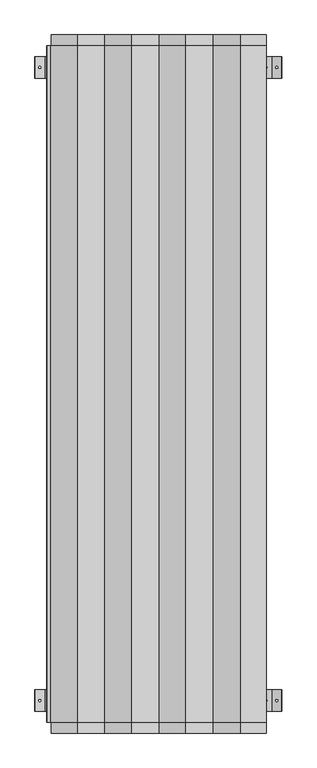
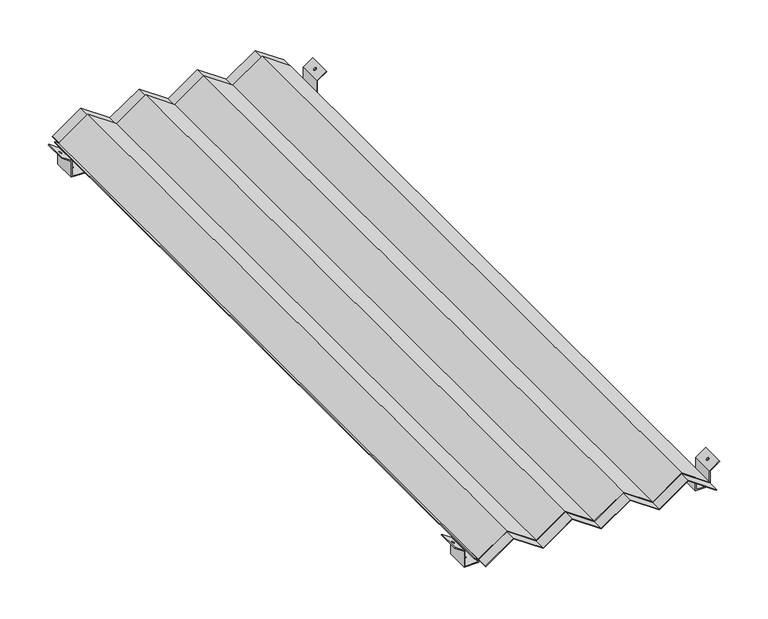
"""IFC4 building model written with IfcOpenShell, lengths in millimetres: proxy geometry."""

from ifc_helpers import new_model, si_unit, frame, origin, place, context, project, spatial, polyline, circle_curve, ellipse_curve, outline, extrude, source, transform, mapped, element, save
from ifc_brep_helpers import plane_surface, revolved_surface, advanced_brep


def generic_models_3b667e1f(model_context):
    return source(origin(), model_context, "Body", "SolidModel", [
        advanced_brep(
        [(-371.6197398, 1130.0, 79.9349347), (-405.4553608, 1130.0, 56.25), (-405.4553608, 1130.0, 3.0), (-450.4553608, 1130.0, 3.0), (-450.4553608, 1130.0, 59.3016389), (-484.2909818, 1130.0, 82.9865736), (-486.0113688, 1130.0, 80.5288778), (-453.4553608, 1130.0, 57.7396722), (-453.4553608, 1130.0, 0.0), (-402.4553608, 1130.0, 0.0), (-402.4553608, 1130.0, 54.6880333), (-369.8993528, 1130.0, 77.4772389), (-371.6197398, 1210.0, 79.9349347), (-369.8993528, 1210.0, 77.4772389), (-402.4553608, 1210.0, 54.6880333), (-402.4553608, 1210.0, 0.0), (-453.4553608, 1210.0, 0.0), (-453.4553608, 1210.0, 57.7396722), (-486.0113688, 1210.0, 80.5288778), (-484.2909818, 1210.0, 82.9865736), (-450.4553608, 1210.0, 59.3016389), (-450.4553608, 1210.0, 3.0), (-405.4553608, 1210.0, 3.0), (-405.4553608, 1210.0, 56.25), (-383.9553608, 1170.0, 71.3), (-391.9553608, 1170.0, 65.7), (-423.9553608, 1170.0, 3.0), (-431.9553608, 1170.0, 3.0), (-471.9553608, 1170.0, 74.3516389), (-463.9553608, 1170.0, 68.7516389), (-463.9553608, 1170.0, 65.0896722), (-471.9553608, 1170.0, 70.6896722), (-431.9553608, 1170.0, 0.0), (-423.9553608, 1170.0, 0.0), (-391.9553608, 1170.0, 62.0380333), (-383.9553608, 1170.0, 67.6380333)],
        [
            (0, 1),
            (1, 2),
            (2, 3),
            (3, 4),
            (4, 5),
            (5, 6),
            (6, 7),
            (7, 8),
            (8, 9),
            (9, 10),
            (10, 11),
            (11, 0),
            (12, 13),
            (13, 14),
            (14, 15),
            (15, 16),
            (16, 17),
            (17, 18),
            (18, 19),
            (19, 20),
            (20, 21),
            (21, 22),
            (22, 23),
            (23, 12),
            (0, 12),
            (23, 1),
            (24, 25, ellipse_curve(frame((-387.9553608, 1170.0, 68.5), z_axis=(0.5734623443633822, 0.0, -0.8192319205190028), x_axis=(0.8192319205190028, 0.0, 0.5734623443633821)), 4.8826222, 4.0)),
            (25, 24, ellipse_curve(frame((-387.9553608, 1170.0, 68.5), z_axis=(0.5734623443633822, 0.0, -0.8192319205190028), x_axis=(0.8192319205190028, 0.0, 0.5734623443633821)), 4.8826222, 4.0)),
            (22, 2),
            (21, 3),
            (26, 27, circle_curve(frame((-427.9553608, 1170.0, 3.0), z_axis=(0.0, 0.0, -1.0), x_axis=(1.0, 0.0, 0.0)), 4.0)),
            (27, 26, circle_curve(frame((-427.9553608, 1170.0, 3.0), z_axis=(0.0, 0.0, -1.0), x_axis=(1.0, 0.0, 0.0)), 4.0)),
            (20, 4),
            (19, 5),
            (28, 29, ellipse_curve(frame((-467.9553608, 1170.0, 71.5516389), z_axis=(-0.5734623443633651, 0.0, -0.8192319205190147), x_axis=(-0.8192319205190148, 0.0, 0.5734623443633651)), 4.8826222, 4.0)),
            (29, 28, ellipse_curve(frame((-467.9553608, 1170.0, 71.5516389), z_axis=(-0.5734623443633651, 0.0, -0.8192319205190147), x_axis=(-0.8192319205190148, 0.0, 0.5734623443633651)), 4.8826222, 4.0)),
            (18, 6),
            (17, 7),
            (30, 31, ellipse_curve(frame((-467.9553608, 1170.0, 67.8896722), z_axis=(0.5734623443633652, 0.0, 0.8192319205190147), x_axis=(-0.8192319205190147, 0.0, 0.573462344363365)), 4.8826222, 4.0)),
            (31, 30, ellipse_curve(frame((-467.9553608, 1170.0, 67.8896722), z_axis=(0.5734623443633652, 0.0, 0.8192319205190147), x_axis=(-0.8192319205190147, 0.0, 0.573462344363365)), 4.8826222, 4.0)),
            (16, 8),
            (15, 9),
            (32, 33, circle_curve(frame((-427.9553608, 1170.0, 0.0), z_axis=(0.0, 0.0, 1.0), x_axis=(1.0, 0.0, 0.0)), 4.0)),
            (33, 32, circle_curve(frame((-427.9553608, 1170.0, 0.0), z_axis=(0.0, 0.0, 1.0), x_axis=(1.0, 0.0, 0.0)), 4.0)),
            (14, 10),
            (13, 11),
            (34, 35, ellipse_curve(frame((-387.9553608, 1170.0, 64.8380333), z_axis=(-0.5734623443633821, 0.0, 0.8192319205190028), x_axis=(0.8192319205190027, 0.0, 0.5734623443633821)), 4.8826222, 4.0)),
            (35, 34, ellipse_curve(frame((-387.9553608, 1170.0, 64.8380333), z_axis=(-0.5734623443633821, 0.0, 0.8192319205190028), x_axis=(0.8192319205190027, 0.0, 0.5734623443633821)), 4.8826222, 4.0)),
            (32, 27),
            (26, 33),
            (34, 25),
            (24, 35),
            (30, 29),
            (28, 31),
        ],
        [
            plane_surface(frame((-427.9553608, 1130.0, -108.1038624), z_axis=(0.0, -1.0, 0.0), x_axis=(0.0, 0.0, 1.0))),
            plane_surface(frame((-427.9553608, 1210.0, -108.1038624), z_axis=(0.0, 1.0, 0.0), x_axis=(0.0, 0.0, 1.0))),
            plane_surface(frame((-371.6197398, 1130.0, 79.9349347), z_axis=(-0.5734623443633822, 0.0, 0.8192319205190028), x_axis=(0.0, 1.0, 0.0))),
            plane_surface(frame((-405.4553608, 1130.0, 56.25), z_axis=(-1.0, 0.0, 0.0), x_axis=(0.0, 1.0, 0.0))),
            plane_surface(frame((-405.4553608, 1130.0, 3.0), z_axis=(0.0, 0.0, 1.0), x_axis=(0.0, 1.0, 0.0))),
            plane_surface(frame((-450.4553608, 1130.0, 3.0), z_axis=(1.0, 0.0, 0.0), x_axis=(0.0, 1.0, 0.0))),
            plane_surface(frame((-450.4553608, 1130.0, 59.3016389), z_axis=(0.5734623443633651, 0.0, 0.8192319205190147), x_axis=(0.0, 1.0, 0.0))),
            plane_surface(frame((-484.2909818, 1130.0, 82.9865736), z_axis=(-0.8192319205190247, 0.0, 0.5734623443633509), x_axis=(0.0, 1.0, 0.0))),
            plane_surface(frame((-486.0113688, 1130.0, 80.5288778), z_axis=(-0.5734623443633652, 0.0, -0.8192319205190147), x_axis=(0.0, 1.0, 0.0))),
            plane_surface(frame((-453.4553608, 1130.0, 57.7396722), z_axis=(-1.0, 0.0, 0.0), x_axis=(0.0, 1.0, 0.0))),
            plane_surface(frame((-453.4553608, 1130.0, 0.0), z_axis=(0.0, 0.0, -1.0), x_axis=(0.0, 1.0, 0.0))),
            plane_surface(frame((-402.4553608, 1130.0, 0.0), z_axis=(1.0, 0.0, 0.0), x_axis=(0.0, 1.0, 0.0))),
            plane_surface(frame((-402.4553608, 1130.0, 54.6880333), z_axis=(0.5734623443633821, 0.0, -0.8192319205190028), x_axis=(0.0, 1.0, 0.0))),
            plane_surface(frame((-369.8993528, 1130.0, 77.4772389), z_axis=(0.8192319205189988, 0.0, 0.5734623443633878), x_axis=(0.0, 1.0, 0.0))),
            revolved_surface(polyline([(-423.9553608, 1170.0, 3.0), (-423.9553608, 1170.0, 0.0)]), (-427.9553608, 1170.0, 0.0), (0.0, 0.0, 1.0)),
            revolved_surface(polyline([(-383.9553608, 1170.0, 71.3), (-383.9553608, 1170.0, 62.0380333)]), (-387.9553608, 1170.0, 10.0), (0.0, 0.0, 1.0)),
            revolved_surface(polyline([(-471.9553608, 1170.0, 74.3516389), (-471.9553608, 1170.0, 65.0896722)]), (-467.9553608, 1170.0, 10.0), (0.0, 0.0, 1.0)),
        ],
        [
            (0, [[1, 2, 3, 4, 5, 6, 7, 8, 9, 10, 11, 12]]),
            (1, [[13, 14, 15, 16, 17, 18, 19, 20, 21, 22, 23, 24]]),
            (2, [[-1, 25, -24, 26], [27, 28]]),
            (3, [[-2, -26, -23, 29]]),
            (4, [[-3, -29, -22, 30], [31, 32]]),
            (5, [[-4, -30, -21, 33]]),
            (6, [[-5, -33, -20, 34], [35, 36]]),
            (7, [[-6, -34, -19, 37]]),
            (8, [[-7, -37, -18, 38], [39, 40]]),
            (9, [[-8, -38, -17, 41]]),
            (10, [[-9, -41, -16, 42], [43, 44]]),
            (11, [[-10, -42, -15, 45]]),
            (12, [[-11, -45, -14, 46], [47, 48]]),
            (13, [[-12, -46, -13, -25]]),
            (14, [[49, -31, 50, -43]]),
            (14, [[-49, -44, -50, -32]]),
            (15, [[51, -27, 52, -47]]),
            (15, [[-51, -48, -52, -28]]),
            (16, [[53, -35, 54, -39]]),
            (16, [[-53, -40, -54, -36]]),
        ],
    ),
        advanced_brep(
        [(-371.6197398, -1210.0, 79.9349347), (-405.4553608, -1210.0, 56.25), (-405.4553608, -1210.0, 3.0), (-450.4553608, -1210.0, 3.0), (-450.4553608, -1210.0, 59.3016389), (-484.2909818, -1210.0, 82.9865736), (-486.0113688, -1210.0, 80.5288778), (-453.4553608, -1210.0, 57.7396722), (-453.4553608, -1210.0, 0.0), (-402.4553608, -1210.0, 0.0), (-402.4553608, -1210.0, 54.6880333), (-369.8993528, -1210.0, 77.4772389), (-371.6197398, -1130.0, 79.9349347), (-369.8993528, -1130.0, 77.4772389), (-402.4553608, -1130.0, 54.6880333), (-402.4553608, -1130.0, 0.0), (-453.4553608, -1130.0, 0.0), (-453.4553608, -1130.0, 57.7396722), (-486.0113688, -1130.0, 80.5288778), (-484.2909818, -1130.0, 82.9865736), (-450.4553608, -1130.0, 59.3016389), (-450.4553608, -1130.0, 3.0), (-405.4553608, -1130.0, 3.0), (-405.4553608, -1130.0, 56.25), (-383.9553608, -1170.0, 71.3), (-391.9553608, -1170.0, 65.7), (-423.9553608, -1170.0, 3.0), (-431.9553608, -1170.0, 3.0), (-471.9553608, -1170.0, 74.3516389), (-463.9553608, -1170.0, 68.7516389), (-463.9553608, -1170.0, 65.0896722), (-471.9553608, -1170.0, 70.6896722), (-431.9553608, -1170.0, 0.0), (-423.9553608, -1170.0, 0.0), (-391.9553608, -1170.0, 62.0380333), (-383.9553608, -1170.0, 67.6380333)],
        [
            (0, 1),
            (1, 2),
            (2, 3),
            (3, 4),
            (4, 5),
            (5, 6),
            (6, 7),
            (7, 8),
            (8, 9),
            (9, 10),
            (10, 11),
            (11, 0),
            (12, 13),
            (13, 14),
            (14, 15),
            (15, 16),
            (16, 17),
            (17, 18),
            (18, 19),
            (19, 20),
            (20, 21),
            (21, 22),
            (22, 23),
            (23, 12),
            (0, 12),
            (23, 1),
            (24, 25, ellipse_curve(frame((-387.9553608, -1170.0, 68.5), z_axis=(0.5734623443633822, 0.0, -0.8192319205190028), x_axis=(0.8192319205190028, 0.0, 0.5734623443633821)), 4.8826222, 4.0)),
            (25, 24, ellipse_curve(frame((-387.9553608, -1170.0, 68.5), z_axis=(0.5734623443633822, 0.0, -0.8192319205190028), x_axis=(0.8192319205190028, 0.0, 0.5734623443633821)), 4.8826222, 4.0)),
            (22, 2),
            (21, 3),
            (26, 27, circle_curve(frame((-427.9553608, -1170.0, 3.0), z_axis=(0.0, 0.0, -1.0), x_axis=(1.0, 0.0, 0.0)), 4.0)),
            (27, 26, circle_curve(frame((-427.9553608, -1170.0, 3.0), z_axis=(0.0, 0.0, -1.0), x_axis=(1.0, 0.0, 0.0)), 4.0)),
            (20, 4),
            (19, 5),
            (28, 29, ellipse_curve(frame((-467.9553608, -1170.0, 71.5516389), z_axis=(-0.5734623443633651, 0.0, -0.8192319205190147), x_axis=(-0.8192319205190148, 0.0, 0.5734623443633651)), 4.8826222, 4.0)),
            (29, 28, ellipse_curve(frame((-467.9553608, -1170.0, 71.5516389), z_axis=(-0.5734623443633651, 0.0, -0.8192319205190147), x_axis=(-0.8192319205190148, 0.0, 0.5734623443633651)), 4.8826222, 4.0)),
            (18, 6),
            (17, 7),
            (30, 31, ellipse_curve(frame((-467.9553608, -1170.0, 67.8896722), z_axis=(0.5734623443633652, 0.0, 0.8192319205190147), x_axis=(-0.8192319205190147, 0.0, 0.573462344363365)), 4.8826222, 4.0)),
            (31, 30, ellipse_curve(frame((-467.9553608, -1170.0, 67.8896722), z_axis=(0.5734623443633652, 0.0, 0.8192319205190147), x_axis=(-0.8192319205190147, 0.0, 0.573462344363365)), 4.8826222, 4.0)),
            (16, 8),
            (15, 9),
            (32, 33, circle_curve(frame((-427.9553608, -1170.0, 0.0), z_axis=(0.0, 0.0, 1.0), x_axis=(1.0, 0.0, 0.0)), 4.0)),
            (33, 32, circle_curve(frame((-427.9553608, -1170.0, 0.0), z_axis=(0.0, 0.0, 1.0), x_axis=(1.0, 0.0, 0.0)), 4.0)),
            (14, 10),
            (13, 11),
            (34, 35, ellipse_curve(frame((-387.9553608, -1170.0, 64.8380333), z_axis=(-0.5734623443633821, 0.0, 0.8192319205190028), x_axis=(0.8192319205190027, 0.0, 0.5734623443633821)), 4.8826222, 4.0)),
            (35, 34, ellipse_curve(frame((-387.9553608, -1170.0, 64.8380333), z_axis=(-0.5734623443633821, 0.0, 0.8192319205190028), x_axis=(0.8192319205190027, 0.0, 0.5734623443633821)), 4.8826222, 4.0)),
            (32, 27),
            (26, 33),
            (34, 25),
            (24, 35),
            (30, 29),
            (28, 31),
        ],
        [
            plane_surface(frame((-427.9553608, -1210.0, -108.1038624), z_axis=(0.0, -1.0, 0.0), x_axis=(0.0, 0.0, 1.0))),
            plane_surface(frame((-427.9553608, -1130.0, -108.1038624), z_axis=(0.0, 1.0, 0.0), x_axis=(0.0, 0.0, 1.0))),
            plane_surface(frame((-371.6197398, -1210.0, 79.9349347), z_axis=(-0.5734623443633822, 0.0, 0.8192319205190028), x_axis=(0.0, 1.0, 0.0))),
            plane_surface(frame((-405.4553608, -1210.0, 56.25), z_axis=(-1.0, 0.0, 0.0), x_axis=(0.0, 1.0, 0.0))),
            plane_surface(frame((-405.4553608, -1210.0, 3.0), z_axis=(0.0, 0.0, 1.0), x_axis=(0.0, 1.0, 0.0))),
            plane_surface(frame((-450.4553608, -1210.0, 3.0), z_axis=(1.0, 0.0, 0.0), x_axis=(0.0, 1.0, 0.0))),
            plane_surface(frame((-450.4553608, -1210.0, 59.3016389), z_axis=(0.5734623443633651, 0.0, 0.8192319205190147), x_axis=(0.0, 1.0, 0.0))),
            plane_surface(frame((-484.2909818, -1210.0, 82.9865736), z_axis=(-0.8192319205190247, 0.0, 0.5734623443633509), x_axis=(0.0, 1.0, 0.0))),
            plane_surface(frame((-486.0113688, -1210.0, 80.5288778), z_axis=(-0.5734623443633652, 0.0, -0.8192319205190147), x_axis=(0.0, 1.0, 0.0))),
            plane_surface(frame((-453.4553608, -1210.0, 57.7396722), z_axis=(-1.0, 0.0, 0.0), x_axis=(0.0, 1.0, 0.0))),
            plane_surface(frame((-453.4553608, -1210.0, 0.0), z_axis=(0.0, 0.0, -1.0), x_axis=(0.0, 1.0, 0.0))),
            plane_surface(frame((-402.4553608, -1210.0, 0.0), z_axis=(1.0, 0.0, 0.0), x_axis=(0.0, 1.0, 0.0))),
            plane_surface(frame((-402.4553608, -1210.0, 54.6880333), z_axis=(0.5734623443633821, 0.0, -0.8192319205190028), x_axis=(0.0, 1.0, 0.0))),
            plane_surface(frame((-369.8993528, -1210.0, 77.4772389), z_axis=(0.8192319205189988, 0.0, 0.5734623443633878), x_axis=(0.0, 1.0, 0.0))),
            revolved_surface(polyline([(-423.9553608, -1170.0, 3.0), (-423.9553608, -1170.0, 0.0)]), (-427.9553608, -1170.0, 0.0), (0.0, 0.0, 1.0)),
            revolved_surface(polyline([(-383.9553608, -1170.0, 71.3), (-383.9553608, -1170.0, 62.0380333)]), (-387.9553608, -1170.0, 10.0), (0.0, 0.0, 1.0)),
            revolved_surface(polyline([(-471.9553608, -1170.0, 74.3516389), (-471.9553608, -1170.0, 65.0896722)]), (-467.9553608, -1170.0, 10.0), (0.0, 0.0, 1.0)),
        ],
        [
            (0, [[1, 2, 3, 4, 5, 6, 7, 8, 9, 10, 11, 12]]),
            (1, [[13, 14, 15, 16, 17, 18, 19, 20, 21, 22, 23, 24]]),
            (2, [[-1, 25, -24, 26], [27, 28]]),
            (3, [[-2, -26, -23, 29]]),
            (4, [[-3, -29, -22, 30], [31, 32]]),
            (5, [[-4, -30, -21, 33]]),
            (6, [[-5, -33, -20, 34], [35, 36]]),
            (7, [[-6, -34, -19, 37]]),
            (8, [[-7, -37, -18, 38], [39, 40]]),
            (9, [[-8, -38, -17, 41]]),
            (10, [[-9, -41, -16, 42], [43, 44]]),
            (11, [[-10, -42, -15, 45]]),
            (12, [[-11, -45, -14, 46], [47, 48]]),
            (13, [[-12, -46, -13, -25]]),
            (14, [[49, -31, 50, -43]]),
            (14, [[-49, -44, -50, -32]]),
            (15, [[51, -27, 52, -47]]),
            (15, [[-51, -48, -52, -28]]),
            (16, [[53, -35, 54, -39]]),
            (16, [[-53, -40, -54, -36]]),
        ],
    ),
        advanced_brep(
        [(424.0231167, 1130.0, 79.9349347), (390.1874957, 1130.0, 56.25), (390.1874957, 1130.0, 3.0), (345.1874957, 1130.0, 3.0), (345.1874957, 1130.0, 59.3016389), (311.3518748, 1130.0, 82.9865736), (309.6314877, 1130.0, 80.5288778), (342.1874957, 1130.0, 57.7396722), (342.1874957, 1130.0, 0.0), (393.1874957, 1130.0, 0.0), (393.1874957, 1130.0, 54.6880333), (425.7435037, 1130.0, 77.4772389), (424.0231167, 1210.0, 79.9349347), (425.7435037, 1210.0, 77.4772389), (393.1874957, 1210.0, 54.6880333), (393.1874957, 1210.0, 0.0), (342.1874957, 1210.0, 0.0), (342.1874957, 1210.0, 57.7396722), (309.6314877, 1210.0, 80.5288778), (311.3518748, 1210.0, 82.9865736), (345.1874957, 1210.0, 59.3016389), (345.1874957, 1210.0, 3.0), (390.1874957, 1210.0, 3.0), (390.1874957, 1210.0, 56.25), (411.6874957, 1170.0, 71.3), (403.6874957, 1170.0, 65.7), (371.6874957, 1170.0, 3.0), (363.6874957, 1170.0, 3.0), (323.6874957, 1170.0, 74.3516389), (331.6874957, 1170.0, 68.7516389), (331.6874957, 1170.0, 65.0896722), (323.6874957, 1170.0, 70.6896722), (363.6874957, 1170.0, 0.0), (371.6874957, 1170.0, 0.0), (403.6874957, 1170.0, 62.0380333), (411.6874957, 1170.0, 67.6380333)],
        [
            (0, 1),
            (1, 2),
            (2, 3),
            (3, 4),
            (4, 5),
            (5, 6),
            (6, 7),
            (7, 8),
            (8, 9),
            (9, 10),
            (10, 11),
            (11, 0),
            (12, 13),
            (13, 14),
            (14, 15),
            (15, 16),
            (16, 17),
            (17, 18),
            (18, 19),
            (19, 20),
            (20, 21),
            (21, 22),
            (22, 23),
            (23, 12),
            (0, 12),
            (23, 1),
            (24, 25, ellipse_curve(frame((407.6874957, 1170.0, 68.5), z_axis=(0.5734623443633822, 0.0, -0.8192319205190028), x_axis=(0.8192319205190028, 0.0, 0.5734623443633821)), 4.8826222, 4.0)),
            (25, 24, ellipse_curve(frame((407.6874957, 1170.0, 68.5), z_axis=(0.5734623443633822, 0.0, -0.8192319205190028), x_axis=(0.8192319205190028, 0.0, 0.5734623443633821)), 4.8826222, 4.0)),
            (22, 2),
            (21, 3),
            (26, 27, circle_curve(frame((367.6874957, 1170.0, 3.0), z_axis=(0.0, 0.0, -1.0), x_axis=(1.0, 0.0, 0.0)), 4.0)),
            (27, 26, circle_curve(frame((367.6874957, 1170.0, 3.0), z_axis=(0.0, 0.0, -1.0), x_axis=(1.0, 0.0, 0.0)), 4.0)),
            (20, 4),
            (19, 5),
            (28, 29, ellipse_curve(frame((327.6874957, 1170.0, 71.5516389), z_axis=(-0.5734623443633651, 0.0, -0.8192319205190147), x_axis=(-0.8192319205190148, 0.0, 0.5734623443633651)), 4.8826222, 4.0)),
            (29, 28, ellipse_curve(frame((327.6874957, 1170.0, 71.5516389), z_axis=(-0.5734623443633651, 0.0, -0.8192319205190147), x_axis=(-0.8192319205190148, 0.0, 0.5734623443633651)), 4.8826222, 4.0)),
            (18, 6),
            (17, 7),
            (30, 31, ellipse_curve(frame((327.6874957, 1170.0, 67.8896722), z_axis=(0.5734623443633652, 0.0, 0.8192319205190147), x_axis=(-0.8192319205190147, 0.0, 0.573462344363365)), 4.8826222, 4.0)),
            (31, 30, ellipse_curve(frame((327.6874957, 1170.0, 67.8896722), z_axis=(0.5734623443633652, 0.0, 0.8192319205190147), x_axis=(-0.8192319205190147, 0.0, 0.573462344363365)), 4.8826222, 4.0)),
            (16, 8),
            (15, 9),
            (32, 33, circle_curve(frame((367.6874957, 1170.0, 0.0), z_axis=(0.0, 0.0, 1.0), x_axis=(1.0, 0.0, 0.0)), 4.0)),
            (33, 32, circle_curve(frame((367.6874957, 1170.0, 0.0), z_axis=(0.0, 0.0, 1.0), x_axis=(1.0, 0.0, 0.0)), 4.0)),
            (14, 10),
            (13, 11),
            (34, 35, ellipse_curve(frame((407.6874957, 1170.0, 64.8380333), z_axis=(-0.5734623443633821, 0.0, 0.8192319205190028), x_axis=(0.8192319205190027, 0.0, 0.5734623443633821)), 4.8826222, 4.0)),
            (35, 34, ellipse_curve(frame((407.6874957, 1170.0, 64.8380333), z_axis=(-0.5734623443633821, 0.0, 0.8192319205190028), x_axis=(0.8192319205190027, 0.0, 0.5734623443633821)), 4.8826222, 4.0)),
            (32, 27),
            (26, 33),
            (34, 25),
            (24, 35),
            (30, 29),
            (28, 31),
        ],
        [
            plane_surface(frame((367.6874957, 1130.0, -108.1038624), z_axis=(0.0, -1.0, 0.0), x_axis=(0.0, 0.0, 1.0))),
            plane_surface(frame((367.6874957, 1210.0, -108.1038624), z_axis=(0.0, 1.0, 0.0), x_axis=(0.0, 0.0, 1.0))),
            plane_surface(frame((424.0231167, 1130.0, 79.9349347), z_axis=(-0.5734623443633822, 0.0, 0.8192319205190028), x_axis=(0.0, 1.0, 0.0))),
            plane_surface(frame((390.1874957, 1130.0, 56.25), z_axis=(-1.0, 0.0, 0.0), x_axis=(0.0, 1.0, 0.0))),
            plane_surface(frame((390.1874957, 1130.0, 3.0), z_axis=(0.0, 0.0, 1.0), x_axis=(0.0, 1.0, 0.0))),
            plane_surface(frame((345.1874957, 1130.0, 3.0), z_axis=(1.0, 0.0, 0.0), x_axis=(0.0, 1.0, 0.0))),
            plane_surface(frame((345.1874957, 1130.0, 59.3016389), z_axis=(0.5734623443633651, 0.0, 0.8192319205190147), x_axis=(0.0, 1.0, 0.0))),
            plane_surface(frame((311.3518748, 1130.0, 82.9865736), z_axis=(-0.8192319205190247, 0.0, 0.5734623443633509), x_axis=(0.0, 1.0, 0.0))),
            plane_surface(frame((309.6314877, 1130.0, 80.5288778), z_axis=(-0.5734623443633652, 0.0, -0.8192319205190147), x_axis=(0.0, 1.0, 0.0))),
            plane_surface(frame((342.1874957, 1130.0, 57.7396722), z_axis=(-1.0, 0.0, 0.0), x_axis=(0.0, 1.0, 0.0))),
            plane_surface(frame((342.1874957, 1130.0, 0.0), z_axis=(0.0, 0.0, -1.0), x_axis=(0.0, 1.0, 0.0))),
            plane_surface(frame((393.1874957, 1130.0, 0.0), z_axis=(1.0, 0.0, 0.0), x_axis=(0.0, 1.0, 0.0))),
            plane_surface(frame((393.1874957, 1130.0, 54.6880333), z_axis=(0.5734623443633821, 0.0, -0.8192319205190028), x_axis=(0.0, 1.0, 0.0))),
            plane_surface(frame((425.7435037, 1130.0, 77.4772389), z_axis=(0.8192319205189988, 0.0, 0.5734623443633878), x_axis=(0.0, 1.0, 0.0))),
            revolved_surface(polyline([(371.6874957, 1170.0, 3.0), (371.6874957, 1170.0, 0.0)]), (367.6874957, 1170.0, 0.0), (0.0, 0.0, 1.0)),
            revolved_surface(polyline([(411.6874957, 1170.0, 71.3), (411.6874957, 1170.0, 62.0380333)]), (407.6874957, 1170.0, 10.0), (0.0, 0.0, 1.0)),
            revolved_surface(polyline([(323.6874957, 1170.0, 74.3516389), (323.6874957, 1170.0, 65.0896722)]), (327.6874957, 1170.0, 10.0), (0.0, 0.0, 1.0)),
        ],
        [
            (0, [[1, 2, 3, 4, 5, 6, 7, 8, 9, 10, 11, 12]]),
            (1, [[13, 14, 15, 16, 17, 18, 19, 20, 21, 22, 23, 24]]),
            (2, [[-1, 25, -24, 26], [27, 28]]),
            (3, [[-2, -26, -23, 29]]),
            (4, [[-3, -29, -22, 30], [31, 32]]),
            (5, [[-4, -30, -21, 33]]),
            (6, [[-5, -33, -20, 34], [35, 36]]),
            (7, [[-6, -34, -19, 37]]),
            (8, [[-7, -37, -18, 38], [39, 40]]),
            (9, [[-8, -38, -17, 41]]),
            (10, [[-9, -41, -16, 42], [43, 44]]),
            (11, [[-10, -42, -15, 45]]),
            (12, [[-11, -45, -14, 46], [47, 48]]),
            (13, [[-12, -46, -13, -25]]),
            (14, [[49, -31, 50, -43]]),
            (14, [[-49, -44, -50, -32]]),
            (15, [[51, -27, 52, -47]]),
            (15, [[-51, -48, -52, -28]]),
            (16, [[53, -35, 54, -39]]),
            (16, [[-53, -40, -54, -36]]),
        ],
    ),
        advanced_brep(
        [(424.0231167, -1210.0, 79.9349347), (390.1874957, -1210.0, 56.25), (390.1874957, -1210.0, 3.0), (345.1874957, -1210.0, 3.0), (345.1874957, -1210.0, 59.3016389), (311.3518748, -1210.0, 82.9865736), (309.6314877, -1210.0, 80.5288778), (342.1874957, -1210.0, 57.7396722), (342.1874957, -1210.0, 0.0), (393.1874957, -1210.0, 0.0), (393.1874957, -1210.0, 54.6880333), (425.7435037, -1210.0, 77.4772389), (424.0231167, -1130.0, 79.9349347), (425.7435037, -1130.0, 77.4772389), (393.1874957, -1130.0, 54.6880333), (393.1874957, -1130.0, 0.0), (342.1874957, -1130.0, 0.0), (342.1874957, -1130.0, 57.7396722), (309.6314877, -1130.0, 80.5288778), (311.3518748, -1130.0, 82.9865736), (345.1874957, -1130.0, 59.3016389), (345.1874957, -1130.0, 3.0), (390.1874957, -1130.0, 3.0), (390.1874957, -1130.0, 56.25), (411.6874957, -1170.0, 71.3), (403.6874957, -1170.0, 65.7), (371.6874957, -1170.0, 3.0), (363.6874957, -1170.0, 3.0), (323.6874957, -1170.0, 74.3516389), (331.6874957, -1170.0, 68.7516389), (331.6874957, -1170.0, 65.0896722), (323.6874957, -1170.0, 70.6896722), (363.6874957, -1170.0, 0.0), (371.6874957, -1170.0, 0.0), (403.6874957, -1170.0, 62.0380333), (411.6874957, -1170.0, 67.6380333)],
        [
            (0, 1),
            (1, 2),
            (2, 3),
            (3, 4),
            (4, 5),
            (5, 6),
            (6, 7),
            (7, 8),
            (8, 9),
            (9, 10),
            (10, 11),
            (11, 0),
            (12, 13),
            (13, 14),
            (14, 15),
            (15, 16),
            (16, 17),
            (17, 18),
            (18, 19),
            (19, 20),
            (20, 21),
            (21, 22),
            (22, 23),
            (23, 12),
            (0, 12),
            (23, 1),
            (24, 25, ellipse_curve(frame((407.6874957, -1170.0, 68.5), z_axis=(0.5734623443633822, 0.0, -0.8192319205190028), x_axis=(0.8192319205190028, 0.0, 0.5734623443633821)), 4.8826222, 4.0)),
            (25, 24, ellipse_curve(frame((407.6874957, -1170.0, 68.5), z_axis=(0.5734623443633822, 0.0, -0.8192319205190028), x_axis=(0.8192319205190028, 0.0, 0.5734623443633821)), 4.8826222, 4.0)),
            (22, 2),
            (21, 3),
            (26, 27, circle_curve(frame((367.6874957, -1170.0, 3.0), z_axis=(0.0, 0.0, -1.0), x_axis=(1.0, 0.0, 0.0)), 4.0)),
            (27, 26, circle_curve(frame((367.6874957, -1170.0, 3.0), z_axis=(0.0, 0.0, -1.0), x_axis=(1.0, 0.0, 0.0)), 4.0)),
            (20, 4),
            (19, 5),
            (28, 29, ellipse_curve(frame((327.6874957, -1170.0, 71.5516389), z_axis=(-0.5734623443633651, 0.0, -0.8192319205190147), x_axis=(-0.8192319205190148, 0.0, 0.5734623443633651)), 4.8826222, 4.0)),
            (29, 28, ellipse_curve(frame((327.6874957, -1170.0, 71.5516389), z_axis=(-0.5734623443633651, 0.0, -0.8192319205190147), x_axis=(-0.8192319205190148, 0.0, 0.5734623443633651)), 4.8826222, 4.0)),
            (18, 6),
            (17, 7),
            (30, 31, ellipse_curve(frame((327.6874957, -1170.0, 67.8896722), z_axis=(0.5734623443633652, 0.0, 0.8192319205190147), x_axis=(-0.8192319205190147, 0.0, 0.573462344363365)), 4.8826222, 4.0)),
            (31, 30, ellipse_curve(frame((327.6874957, -1170.0, 67.8896722), z_axis=(0.5734623443633652, 0.0, 0.8192319205190147), x_axis=(-0.8192319205190147, 0.0, 0.573462344363365)), 4.8826222, 4.0)),
            (16, 8),
            (15, 9),
            (32, 33, circle_curve(frame((367.6874957, -1170.0, 0.0), z_axis=(0.0, 0.0, 1.0), x_axis=(1.0, 0.0, 0.0)), 4.0)),
            (33, 32, circle_curve(frame((367.6874957, -1170.0, 0.0), z_axis=(0.0, 0.0, 1.0), x_axis=(1.0, 0.0, 0.0)), 4.0)),
            (14, 10),
            (13, 11),
            (34, 35, ellipse_curve(frame((407.6874957, -1170.0, 64.8380333), z_axis=(-0.5734623443633821, 0.0, 0.8192319205190028), x_axis=(0.8192319205190027, 0.0, 0.5734623443633821)), 4.8826222, 4.0)),
            (35, 34, ellipse_curve(frame((407.6874957, -1170.0, 64.8380333), z_axis=(-0.5734623443633821, 0.0, 0.8192319205190028), x_axis=(0.8192319205190027, 0.0, 0.5734623443633821)), 4.8826222, 4.0)),
            (32, 27),
            (26, 33),
            (34, 25),
            (24, 35),
            (30, 29),
            (28, 31),
        ],
        [
            plane_surface(frame((367.6874957, -1210.0, -108.1038624), z_axis=(0.0, -1.0, 0.0), x_axis=(0.0, 0.0, 1.0))),
            plane_surface(frame((367.6874957, -1130.0, -108.1038624), z_axis=(0.0, 1.0, 0.0), x_axis=(0.0, 0.0, 1.0))),
            plane_surface(frame((424.0231167, -1210.0, 79.9349347), z_axis=(-0.5734623443633822, 0.0, 0.8192319205190028), x_axis=(0.0, 1.0, 0.0))),
            plane_surface(frame((390.1874957, -1210.0, 56.25), z_axis=(-1.0, 0.0, 0.0), x_axis=(0.0, 1.0, 0.0))),
            plane_surface(frame((390.1874957, -1210.0, 3.0), z_axis=(0.0, 0.0, 1.0), x_axis=(0.0, 1.0, 0.0))),
            plane_surface(frame((345.1874957, -1210.0, 3.0), z_axis=(1.0, 0.0, 0.0), x_axis=(0.0, 1.0, 0.0))),
            plane_surface(frame((345.1874957, -1210.0, 59.3016389), z_axis=(0.5734623443633651, 0.0, 0.8192319205190147), x_axis=(0.0, 1.0, 0.0))),
            plane_surface(frame((311.3518748, -1210.0, 82.9865736), z_axis=(-0.8192319205190247, 0.0, 0.5734623443633509), x_axis=(0.0, 1.0, 0.0))),
            plane_surface(frame((309.6314877, -1210.0, 80.5288778), z_axis=(-0.5734623443633652, 0.0, -0.8192319205190147), x_axis=(0.0, 1.0, 0.0))),
            plane_surface(frame((342.1874957, -1210.0, 57.7396722), z_axis=(-1.0, 0.0, 0.0), x_axis=(0.0, 1.0, 0.0))),
            plane_surface(frame((342.1874957, -1210.0, 0.0), z_axis=(0.0, 0.0, -1.0), x_axis=(0.0, 1.0, 0.0))),
            plane_surface(frame((393.1874957, -1210.0, 0.0), z_axis=(1.0, 0.0, 0.0), x_axis=(0.0, 1.0, 0.0))),
            plane_surface(frame((393.1874957, -1210.0, 54.6880333), z_axis=(0.5734623443633821, 0.0, -0.8192319205190028), x_axis=(0.0, 1.0, 0.0))),
            plane_surface(frame((425.7435037, -1210.0, 77.4772389), z_axis=(0.8192319205189988, 0.0, 0.5734623443633878), x_axis=(0.0, 1.0, 0.0))),
            revolved_surface(polyline([(371.6874957, -1170.0, 3.0), (371.6874957, -1170.0, 0.0)]), (367.6874957, -1170.0, 0.0), (0.0, 0.0, 1.0)),
            revolved_surface(polyline([(411.6874957, -1170.0, 71.3), (411.6874957, -1170.0, 62.0380333)]), (407.6874957, -1170.0, 10.0), (0.0, 0.0, 1.0)),
            revolved_surface(polyline([(323.6874957, -1170.0, 74.3516389), (323.6874957, -1170.0, 65.0896722)]), (327.6874957, -1170.0, 10.0), (0.0, 0.0, 1.0)),
        ],
        [
            (0, [[1, 2, 3, 4, 5, 6, 7, 8, 9, 10, 11, 12]]),
            (1, [[13, 14, 15, 16, 17, 18, 19, 20, 21, 22, 23, 24]]),
            (2, [[-1, 25, -24, 26], [27, 28]]),
            (3, [[-2, -26, -23, 29]]),
            (4, [[-3, -29, -22, 30], [31, 32]]),
            (5, [[-4, -30, -21, 33]]),
            (6, [[-5, -33, -20, 34], [35, 36]]),
            (7, [[-6, -34, -19, 37]]),
            (8, [[-7, -37, -18, 38], [39, 40]]),
            (9, [[-8, -38, -17, 41]]),
            (10, [[-9, -41, -16, 42], [43, 44]]),
            (11, [[-10, -42, -15, 45]]),
            (12, [[-11, -45, -14, 46], [47, 48]]),
            (13, [[-12, -46, -13, -25]]),
            (14, [[49, -31, 50, -43]]),
            (14, [[-49, -44, -50, -32]]),
            (15, [[51, -27, 52, -47]]),
            (15, [[-51, -48, -52, -28]]),
            (16, [[53, -35, 54, -39]]),
            (16, [[-53, -40, -54, -36]]),
        ],
    ),
        extrude(outline(polyline([(110.5002694, 272.046595), (40.5002694, 172.046595), (110.5002694, 72.046595), (40.5002694, -27.953405), (110.5002694, -127.953405), (40.5002694, -227.953405), (110.5002694, -327.953405), (41.6847881, -426.2612355), (40.4559402, -425.401042), (108.6692861, -327.953405), (38.6692861, -227.953405), (108.6692861, -127.953405), (38.6692861, -27.953405), (108.6692861, 72.046595), (38.6692861, 172.046595), (108.6692861, 272.046595), (41.3186821, 368.2617435), (42.54753, 369.121937), (110.5002694, 272.046595)])), frame((0.0, -1290.0, 0.0), z_axis=(0.0, 1.0, 0.0), x_axis=(0.0, 0.0, 1.0)), (0.0, 0.0, 1.0), 80.0),
        extrude(outline(polyline([(110.4997306, 272.046595), (40.4997306, 172.046595), (110.4997306, 72.046595), (40.4997306, -27.953405), (110.4997306, -127.953405), (40.4997306, -227.953405), (110.4997306, -327.953405), (41.6842493, -426.2612355), (40.4554014, -425.401042), (108.6687472, -327.953405), (38.6687472, -227.953405), (108.6687472, -127.953405), (38.6687472, -27.953405), (108.6687472, 72.046595), (38.6687472, 172.046595), (108.6687472, 272.046595), (41.3181433, 368.2617435), (42.5469912, 369.121937), (110.4997306, 272.046595)])), frame((0.0, 1210.0, 0.0), z_axis=(0.0, 1.0, 0.0), x_axis=(0.0, 0.0, 1.0)), (0.0, 0.0, 1.0), 80.0),
        extrude(outline(polyline([(113.5516389, 272.0469799), (43.5516389, 172.0469799), (113.5516389, 72.0469799), (43.5516389, -27.9530201), (113.5516389, -127.9530201), (43.5516389, -227.9530201), (113.5516389, -327.9530201), (43.5516389, -427.9530201), (52.1535741, -440.2414989), (50.1054943, -441.6751548), (40.5, -427.9530201), (110.5, -327.9530201), (40.5, -227.9530201), (110.5, -127.9530201), (40.5, -27.9530201), (110.5, 72.0469799), (40.5, 172.0469799), (110.5, 272.0469799), (43.5508197, 367.688666), (45.5988995, 369.1223219), (113.5516389, 272.0469799)])), frame((0.0, -1250.0, 0.0), z_axis=(0.0, 1.0, 0.0), x_axis=(0.0, 0.0, 1.0)), (0.0, 0.0, 1.0), 2500.0),
    ])


if __name__ == "__main__":
    model = new_model("IFC4")
    model_context = context("Model", 3, world=origin())
    ifc_project = project(units=[si_unit("LENGTHUNIT", "METRE", prefix="MILLI")], contexts=[model_context])
    site = spatial("IfcSite", under=ifc_project)
    building = spatial("IfcBuilding", under=site)
    placement = place(None, origin())
    generic_models_shape = generic_models_3b667e1f(model_context)
    element("IfcBuildingElementProxy", 1, Name="Generic Models", at=placement, inside=building, context=model_context, shape_type="MappedRepresentation", body=[
        mapped(generic_models_shape, transform((0.0, 0.0, 0.0), x_axis=(1.0, 0.0, 0.0), y_axis=(0.0, 1.0, 0.0), z_axis=(0.0, 0.0, 1.0))),
    ])
    save(model, "model.ifc")
